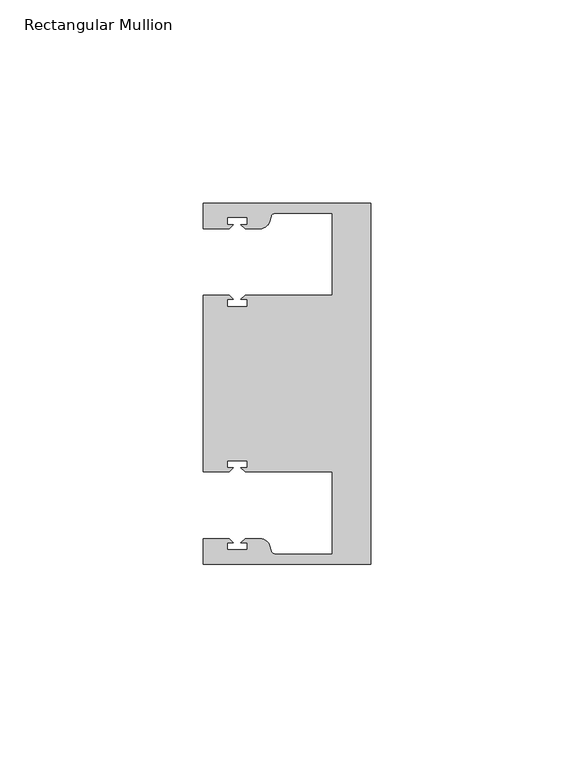
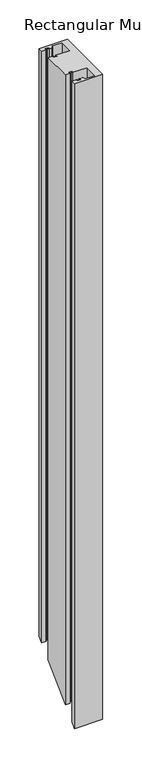
"""IFC4 building model written with IfcOpenShell, lengths in millimetres: member geometry, Rectangular Mullion."""

import ifcopenshell
import ifcopenshell.guid

model = None  # the IFC model being written
_history = None  # IfcOwnerHistory: only IFC2X3 demands one
_inside = {}  # id of a spatial element -> (the spatial element, [elements in it])
_under = {}  # id of a project, library or spatial element -> (it, [spatial elements below it])
_declared = {}  # id of a project -> (the project, [libraries it declares])
_typed = {}  # id of a type object -> (the type object, [elements of that type])
_made_of = {}  # id of a material, layer set ... -> (it, [elements and type objects made of it])


def new_model(schema):
    """Start an empty IFC model of exactly this schema.

    Asked for "IFC4X3", IfcOpenShell would pick the latest addendum, in which some entities
    have other attributes; the version numbers below select the first issue.
    IFC2X3 requires an IfcOwnerHistory on every rooted entity: one is made here for all.
    """
    global model, _history
    if schema == "IFC4X3":
        model = ifcopenshell.file(schema_version=(4, 3, 0, 0))
    else:
        model = ifcopenshell.file(schema=schema)
    _inside.clear()
    _under.clear()
    _declared.clear()
    _typed.clear()
    _made_of.clear()
    _history = None
    if model.schema == "IFC2X3":
        org = make("IfcOrganization", Name="unknown")
        user = make(
            "IfcPersonAndOrganization",
            ThePerson=make("IfcPerson", FamilyName="unknown"),
            TheOrganization=org,
        )
        app = make(
            "IfcApplication",
            ApplicationDeveloper=org,
            Version="unknown",
            ApplicationFullName="unknown",
            ApplicationIdentifier="unknown",
        )
        _history = make(
            "IfcOwnerHistory",
            OwningUser=user,
            OwningApplication=app,
            ChangeAction="ADDED",
            CreationDate=0,
        )
    return model


def make(cls, **values):
    """One entity of the class cls with the attributes given. An attribute that is None is left unset."""
    return model.create_entity(
        cls, **{name: value for name, value in values.items() if value is not None}
    )


def rooted(cls, **values):
    """An entity with a GlobalId (a new one), such as an element, a storey or a relation."""
    return make(cls, GlobalId=ifcopenshell.guid.new(), OwnerHistory=_history, **values)


def si_unit(unit_type, name, prefix=None):
    """IfcSIUnit, for example si_unit("LENGTHUNIT", "METRE", prefix="MILLI")."""
    return make("IfcSIUnit", UnitType=unit_type, Prefix=prefix, Name=name)


def assignment(units):
    """IfcUnitAssignment: the units of a project."""
    return None if units is None else make("IfcUnitAssignment", Units=units)


def point(xyz):
    """IfcCartesianPoint."""
    return None if xyz is None else make("IfcCartesianPoint", Coordinates=xyz)


def direction(xyz):
    """IfcDirection."""
    return None if xyz is None else make("IfcDirection", DirectionRatios=xyz)


def frame(location, z_axis=None, x_axis=None):
    """IfcAxis2Placement3D, a coordinate frame: its origin and axes. An axis left out is left unset."""
    return make(
        "IfcAxis2Placement3D",
        Location=point(location),
        Axis=direction(z_axis),
        RefDirection=direction(x_axis),
    )


def origin():
    """The frame at (0, 0, 0) with its axes left unset."""
    return frame((0.0, 0.0, 0.0))


def place(relative_to, where):
    """IfcLocalPlacement: puts the frame where relative to a parent placement (None: the world)."""
    return make(
        "IfcLocalPlacement", PlacementRelTo=relative_to, RelativePlacement=where
    )


def context(
    kind, dimensions, precision=None, world=None, true_north=None, identifier=None
):
    """IfcGeometricRepresentationContext, for example the 3D "Model" context."""
    return make(
        "IfcGeometricRepresentationContext",
        ContextIdentifier=identifier,
        ContextType=kind,
        CoordinateSpaceDimension=dimensions,
        Precision=precision,
        WorldCoordinateSystem=world,
        TrueNorth=true_north,
    )


def project(units=None, contexts=None):
    """IfcProject with its units and contexts."""
    return rooted(
        "IfcProject",
        Name="project",
        RepresentationContexts=contexts,
        UnitsInContext=assignment(units),
    )


def spatial(cls, under=None, at=None, **own):
    """A site, building, storey or space (cls), placed at a placement, below another one or the project."""
    s = rooted(cls, ObjectPlacement=at, **own)
    if under is not None:
        _under.setdefault(under.id(), (under, []))[1].append(s)
    return s


def polyline(points):
    """IfcPolyline through the points."""
    return make("IfcPolyline", Points=[point(p) for p in points])


def circle_curve(where, radius):
    """IfcCircle in the frame where."""
    return make("IfcCircle", Position=where, Radius=radius)


def ellipse_curve(where, semi_axis1, semi_axis2):
    """IfcEllipse in the frame where."""
    return make(
        "IfcEllipse", Position=where, SemiAxis1=semi_axis1, SemiAxis2=semi_axis2
    )


def shape(context_of_items, identifier, shape_type, items):
    """IfcShapeRepresentation: the items that make up one representation, for example the "Body"."""
    return make(
        "IfcShapeRepresentation",
        ContextOfItems=context_of_items,
        RepresentationIdentifier=identifier,
        RepresentationType=shape_type,
        Items=items,
    )


def source(mapping_origin, context_of_items, identifier, shape_type, items):
    """IfcRepresentationMap: a shape defined once, which mapped items show again and again."""
    return make(
        "IfcRepresentationMap",
        MappingOrigin=mapping_origin,
        MappedRepresentation=shape(context_of_items, identifier, shape_type, items),
    )


def transform(
    local_origin,
    x_axis=None,
    y_axis=None,
    z_axis=None,
    scale=None,
    scale2=None,
    scale3=None,
    uniform=True,
):
    """IfcCartesianTransformationOperator3D, or its non-uniform kind. x_axis, y_axis, z_axis: its Axis1, 2, 3."""
    if uniform:
        return make(
            "IfcCartesianTransformationOperator3D",
            Axis1=direction(x_axis),
            Axis2=direction(y_axis),
            LocalOrigin=point(local_origin),
            Scale=scale,
            Axis3=direction(z_axis),
        )
    return make(
        "IfcCartesianTransformationOperator3DnonUniform",
        Axis1=direction(x_axis),
        Axis2=direction(y_axis),
        LocalOrigin=point(local_origin),
        Scale=scale,
        Axis3=direction(z_axis),
        Scale2=scale2,
        Scale3=scale3,
    )


def mapped(mapping_source, mapping_target):
    """IfcMappedItem: shows the shape of a source again, moved by a transform."""
    return make(
        "IfcMappedItem", MappingSource=mapping_source, MappingTarget=mapping_target
    )


def made_of(thing, what):
    """Note that an element or type object is made of a material, layer set ...; save() writes the relation."""
    if what is not None:
        _made_of.setdefault(what.id(), (what, []))[1].append(thing)
    return thing


def element(
    cls,
    number,
    at=None,
    inside=None,
    cuts=None,
    type_object=None,
    material=None,
    context=None,
    identifier="Body",
    shape_type=None,
    held_by="IfcProductDefinitionShape",
    body=None,
    shapes=None,
    **own,
):
    """One element of the class cls, such as IfcWall. Its Tag is "e" and its number.

    at: its placement. inside: the storey or other place that contains it. cuts: it is an
    opening in that element (IfcRelVoidsElement). A single representation is given by context,
    identifier, shape_type and body (its items); several are given by shapes. held_by: the class
    of the entity that holds the representations. save() writes the other relations.
    """
    e = rooted(cls, Tag="e%d" % number, ObjectPlacement=at, **own)
    if body is not None:
        shapes = [shape(context, identifier, shape_type, body)]
    if shapes is not None:
        e.Representation = make(held_by, Representations=shapes)
    if inside is not None:
        _inside.setdefault(inside.id(), (inside, []))[1].append(e)
    if cuts is not None:
        rooted(
            "IfcRelVoidsElement", RelatingBuildingElement=cuts, RelatedOpeningElement=e
        )
    if type_object is not None:
        _typed.setdefault(type_object.id(), (type_object, []))[1].append(e)
    return made_of(e, material)


def aggregate(whole, parts):
    """IfcRelAggregates: a whole, such as a stair, and the parts it consists of."""
    return rooted("IfcRelAggregates", RelatingObject=whole, RelatedObjects=parts)


def save(model, path):
    """Write the relations noted so far, then the file.

    IfcRelAggregates (storeys below a building ...), IfcRelContainedInSpatialStructure (elements
    in a storey), IfcRelDefinesByType, IfcRelAssociatesMaterial and IfcRelDeclares: one each for
    every whole, place, type object, material and project.
    """
    for whole, parts in _under.values():
        aggregate(whole, parts)
    for where, things in _inside.values():
        rooted(
            "IfcRelContainedInSpatialStructure",
            RelatedElements=things,
            RelatingStructure=where,
        )
    for kind, things in _typed.values():
        rooted("IfcRelDefinesByType", RelatedObjects=things, RelatingType=kind)
    for what, things in _made_of.values():
        rooted("IfcRelAssociatesMaterial", RelatedObjects=things, RelatingMaterial=what)
    for by, libraries in _declared.values():
        rooted("IfcRelDeclares", RelatingContext=by, RelatedDefinitions=libraries)
    model.write(path)


def plane_surface(at):
    """IfcPlane: the flat surface through the origin of the frame at, square to its z axis."""
    return make("IfcPlane", Position=at)


def cylinder_surface(at, radius):
    """IfcCylindricalSurface: all points at the distance radius from the z axis of the frame at."""
    return make("IfcCylindricalSurface", Position=at, Radius=radius)


def revolved_surface(curve, axis_point, axis_direction):
    """IfcSurfaceOfRevolution: the curve turned about the line through axis_point along axis_direction."""
    return make(
        "IfcSurfaceOfRevolution",
        SweptCurve=make("IfcArbitraryOpenProfileDef", ProfileType="CURVE", Curve=curve),
        AxisPosition=make("IfcAxis1Placement", Location=point(axis_point), Axis=direction(axis_direction)),
    )


def advanced_brep(points, edges, surfaces, faces):
    """IfcAdvancedBrep: a solid bounded by faces that lie on surfaces and meet in shared edges.

    An edge is (start, end): straight between two places in points (the first is 0);
    or (start, end, curve); or (start, end, curve, False) where it runs against its curve.
    A face is (place in surfaces, loops), or (place, loops, False) where it looks against
    its surface's normal. A loop lists edges by number (the first is 1), with a minus sign
    where the edge is run from its end to its start. The first loop is the outer one.
    """
    corners = [point(p) for p in points]
    vertices = [make("IfcVertexPoint", VertexGeometry=c) for c in corners]
    made = []
    for start, end, *more in edges:
        made.append(
            make(
                "IfcEdgeCurve",
                EdgeStart=vertices[start],
                EdgeEnd=vertices[end],
                EdgeGeometry=more[0] if more else make("IfcPolyline", Points=[corners[start], corners[end]]),
                SameSense=more[1] if len(more) > 1 else True,
            )
        )
    hull = []
    for where, loops, *sense in faces:
        bounds = []
        for j, loop in enumerate(loops):
            ring = [make("IfcOrientedEdge", EdgeElement=made[abs(k) - 1], Orientation=k > 0) for k in loop]
            bounds.append(
                make(
                    "IfcFaceOuterBound" if j == 0 else "IfcFaceBound",
                    Bound=make("IfcEdgeLoop", EdgeList=ring),
                    Orientation=True,
                )
            )
        hull.append(make("IfcAdvancedFace", Bounds=bounds, FaceSurface=surfaces[where], SameSense=sense[0] if sense else True))
    return make("IfcAdvancedBrep", Outer=make("IfcClosedShell", CfsFaces=hull))


def rectangular_mullion_94f58a4b(model_context):
    return source(origin(), model_context, "Body", "AdvancedBrep", [
        advanced_brep(
        [(0.0, -44.45, 0.0), (0.0, 44.45, 0.0), (-41.275, 44.45, 0.0), (-41.275, 38.1499897, 0.0), (-34.8007531, 38.1499897, 0.0), (-33.8007405, 39.1500023, 0.0), (-35.3749778, 39.1500023, 0.0), (-35.3749778, 40.9498819, 0.0), (-30.3749831, 40.9498819, 0.0), (-30.3749831, 39.1500023, 0.0), (-31.949256, 39.1500023, 0.0), (-30.9492503, 38.1499966, 0.0), (-27.2637853, 38.1499966, 0.0), (-24.8489707, 40.002949, 0.0), (-24.5258588, 41.2088192, 0.0), (-23.5599329, 41.9500001, 0.0), (-9.525, 41.95, 0.0), (-9.525, 21.7499959, 0.0), (-30.9492434, 21.7499959, 0.0), (-31.949256, 20.7499834, 0.0), (-30.3750186, 20.7499834, 0.0), (-30.3750186, 18.949936, 0.0), (-35.3750134, 18.949936, 0.0), (-35.3750134, 20.7499834, 0.0), (-33.8007405, 20.7499834, 0.0), (-34.8007562, 21.749999, 0.0), (-41.275, 21.749999, 0.0), (-41.275, -21.749999, 0.0), (-34.8007562, -21.749999, 0.0), (-33.8007405, -20.7499834, 0.0), (-35.3750134, -20.7499834, 0.0), (-35.3750134, -18.949936, 0.0), (-30.3750186, -18.949936, 0.0), (-30.3750186, -20.7499834, 0.0), (-31.949256, -20.7499834, 0.0), (-30.9492434, -21.7499959, 0.0), (-9.525, -21.7499959, 0.0), (-9.525, -41.95, 0.0), (-23.5599329, -41.95, 0.0), (-24.5258588, -41.2088192, 0.0), (-24.8489707, -40.002949, 0.0), (-27.2637853, -38.1499966, 0.0), (-30.9492503, -38.1499966, 0.0), (-31.949256, -39.1500023, 0.0), (-30.3749831, -39.1500023, 0.0), (-30.3749831, -40.9498819, 0.0), (-35.3749778, -40.9498819, 0.0), (-35.3749778, -39.1500023, 0.0), (-33.8007405, -39.1500023, 0.0), (-34.8007531, -38.1499897, 0.0), (-41.2749977, -38.1499897, 0.0), (-41.2749977, -44.45, 0.0), (0.0, -44.45, -996.95), (0.0, 44.45, -908.05), (-41.275, 44.45, -908.05), (-41.275, 38.1499897, -914.3500103), (-34.8007531, 38.1499897, -914.3500103), (-33.8007405, 39.1500023, -913.3499977), (-35.3749778, 39.1500023, -913.3499977), (-35.3749778, 40.9498819, -911.5501181), (-30.3749831, 40.9498819, -911.5501181), (-30.3749831, 39.1500023, -913.3499977), (-31.949256, 39.1500023, -913.3499977), (-30.9492503, 38.1499966, -914.3500034), (-27.2637853, 38.1499966, -914.3500034), (-24.8489707, 40.002949, -912.497051), (-24.5258588, 41.2088192, -911.2911808), (-23.5599329, 41.9500001, -910.5499999), (-9.525, 41.95, -910.55), (-9.525, 21.7499959, -930.7500041), (-30.9492434, 21.7499959, -930.7500041), (-31.949256, 20.7499834, -931.7500166), (-30.3750186, 20.7499834, -931.7500166), (-30.3750186, 18.949936, -933.550064), (-35.3750134, 18.949936, -933.550064), (-35.3750134, 20.7499834, -931.7500166), (-33.8007405, 20.7499834, -931.7500166), (-34.8007562, 21.749999, -930.750001), (-41.275, 21.749999, -930.750001), (-41.275, -21.749999, -974.249999), (-34.8007562, -21.749999, -974.249999), (-33.8007405, -20.7499834, -973.2499834), (-35.3750134, -20.7499834, -973.2499834), (-35.3750134, -18.949936, -971.449936), (-30.3750186, -18.949936, -971.449936), (-30.3750186, -20.7499834, -973.2499834), (-31.949256, -20.7499834, -973.2499834), (-30.9492434, -21.7499959, -974.2499959), (-9.525, -21.7499959, -974.2499959), (-9.525, -41.95, -994.45), (-23.5599329, -41.95, -994.4500001), (-24.5258588, -41.2088192, -993.7088192), (-24.8489707, -40.002949, -992.502949), (-27.2637853, -38.1499966, -990.6499966), (-30.9492503, -38.1499966, -990.6499966), (-31.949256, -39.1500023, -991.6500023), (-30.3749831, -39.1500023, -991.6500023), (-30.3749831, -40.9498819, -993.4498819), (-35.3749778, -40.9498819, -993.4498819), (-35.3749778, -39.1500023, -991.6500023), (-33.8007405, -39.1500023, -991.6500023), (-34.8007531, -38.1499897, -990.6499897), (-41.2749977, -38.1499897, -990.6499897), (-41.2749977, -44.45, -996.95)],
        [
            (0, 1),
            (1, 2),
            (2, 3),
            (3, 4),
            (4, 5),
            (5, 6),
            (6, 7),
            (7, 8),
            (8, 9),
            (9, 10),
            (10, 11),
            (11, 12),
            (12, 13, circle_curve(frame((-27.2637853, 40.6499966, 0.0), z_axis=(0.0, 0.0, 1.0), x_axis=(0.0, -1.0, 0.0)), 2.5)),
            (13, 14),
            (14, 15, circle_curve(frame((-23.5599329, 40.9500001, 0.0), z_axis=(0.0, 0.0, -1.0), x_axis=(0.0, -1.0, 0.0)), 1.0)),
            (15, 16),
            (16, 17),
            (17, 18),
            (18, 19),
            (19, 20),
            (20, 21),
            (21, 22),
            (22, 23),
            (23, 24),
            (24, 25),
            (25, 26),
            (26, 27),
            (27, 28),
            (28, 29),
            (29, 30),
            (30, 31),
            (31, 32),
            (32, 33),
            (33, 34),
            (34, 35),
            (35, 36),
            (36, 37),
            (37, 38),
            (38, 39, circle_curve(frame((-23.5599329, -40.9500001, 0.0), z_axis=(0.0, 0.0, -1.0), x_axis=(0.0, 1.0, 0.0)), 1.0)),
            (39, 40),
            (40, 41, circle_curve(frame((-27.2637853, -40.6499966, 0.0), z_axis=(0.0, 0.0, 1.0), x_axis=(0.0, 1.0, 0.0)), 2.5)),
            (41, 42),
            (42, 43),
            (43, 44),
            (44, 45),
            (45, 46),
            (46, 47),
            (47, 48),
            (48, 49),
            (49, 50),
            (50, 51),
            (51, 0),
            (0, 52),
            (52, 53),
            (53, 1),
            (53, 54),
            (54, 2),
            (54, 55),
            (55, 3),
            (55, 56),
            (56, 4),
            (56, 57),
            (57, 5),
            (57, 58),
            (58, 6),
            (58, 59),
            (59, 7),
            (59, 60),
            (60, 8),
            (60, 61),
            (61, 9),
            (61, 62),
            (62, 10),
            (62, 63),
            (63, 11),
            (63, 64),
            (64, 12),
            (64, 65, ellipse_curve(frame((-27.2637853, 40.6499966, -911.8500034), z_axis=(0.0, -0.7071067811865476, 0.7071067811865476), x_axis=(0.0, 0.7071067811865476, 0.7071067811865474)), 3.5355339, 2.5)),
            (65, 13),
            (65, 66),
            (66, 14),
            (66, 67, ellipse_curve(frame((-23.5599329, 40.9500001, -911.5499999), z_axis=(0.0, 0.7071067811865476, -0.7071067811865476), x_axis=(0.0, -0.7071067811865476, -0.7071067811865474)), 1.4142136, 1.0)),
            (67, 15),
            (67, 68),
            (68, 16),
            (68, 69),
            (69, 17),
            (69, 70),
            (70, 18),
            (70, 71),
            (71, 19),
            (71, 72),
            (72, 20),
            (72, 73),
            (73, 21),
            (73, 74),
            (74, 22),
            (74, 75),
            (75, 23),
            (75, 76),
            (76, 24),
            (76, 77),
            (77, 25),
            (77, 78),
            (78, 26),
            (78, 79),
            (79, 27),
            (79, 80),
            (80, 28),
            (80, 81),
            (81, 29),
            (81, 82),
            (82, 30),
            (82, 83),
            (83, 31),
            (83, 84),
            (84, 32),
            (84, 85),
            (85, 33),
            (85, 86),
            (86, 34),
            (86, 87),
            (87, 35),
            (87, 88),
            (88, 36),
            (88, 89),
            (89, 37),
            (89, 90),
            (90, 38),
            (90, 91, ellipse_curve(frame((-23.5599329, -40.9500001, -993.4500001), z_axis=(0.0, 0.7071067811865476, -0.7071067811865476), x_axis=(0.0, -0.7071067811865476, -0.7071067811865474)), 1.4142136, 1.0)),
            (91, 39),
            (91, 92),
            (92, 40),
            (92, 93, ellipse_curve(frame((-27.2637853, -40.6499966, -993.1499966), z_axis=(0.0, -0.7071067811865476, 0.7071067811865476), x_axis=(0.0, 0.7071067811865476, 0.7071067811865474)), 3.5355339, 2.5)),
            (93, 41),
            (93, 94),
            (94, 42),
            (94, 95),
            (95, 43),
            (95, 96),
            (96, 44),
            (96, 97),
            (97, 45),
            (97, 98),
            (98, 46),
            (98, 99),
            (99, 47),
            (99, 100),
            (100, 48),
            (100, 101),
            (101, 49),
            (101, 102),
            (102, 50),
            (102, 103),
            (103, 51),
            (103, 52),
        ],
        [
            plane_surface(frame((0.0, -60.6582898, 0.0), z_axis=(0.0, 0.0, 1.0), x_axis=(-1.0, 0.0, 0.0))),
            plane_surface(frame((0.0, -44.45, 0.0), z_axis=(1.0, 0.0, 0.0), x_axis=(0.0, 0.0, -1.0))),
            plane_surface(frame((0.0, 44.45, 0.0), z_axis=(0.0, 1.0, 0.0), x_axis=(0.0, 0.0, -1.0))),
            plane_surface(frame((-41.275, 44.45, 0.0), z_axis=(-1.0, 0.0, 0.0), x_axis=(0.0, 0.0, -1.0))),
            plane_surface(frame((-41.275, 38.1499897, 0.0), z_axis=(0.0, -1.0, 0.0), x_axis=(0.0, 0.0, -1.0))),
            plane_surface(frame((-34.8007531, 38.1499897, 0.0), z_axis=(0.7071067811865538, -0.7071067811865414, 0.0), x_axis=(0.0, 0.0, -1.0))),
            plane_surface(frame((-33.8007405, 39.1500023, 0.0), z_axis=(0.0, 1.0, 0.0), x_axis=(0.0, 0.0, -1.0))),
            plane_surface(frame((-35.3749778, 39.1500023, 0.0), z_axis=(1.0, 0.0, 0.0), x_axis=(0.0, 0.0, -1.0))),
            plane_surface(frame((-35.3749778, 40.9498819, 0.0), z_axis=(0.0, -1.0, 0.0), x_axis=(0.0, 0.0, -1.0))),
            plane_surface(frame((-30.3749831, 40.9498819, 0.0), z_axis=(-1.0, 0.0, 0.0), x_axis=(0.0, 0.0, -1.0))),
            plane_surface(frame((-30.3749831, 39.1500023, 0.0), z_axis=(0.0, 1.0, 0.0), x_axis=(0.0, 0.0, -1.0))),
            plane_surface(frame((-31.949256, 39.1500023, 0.0), z_axis=(-0.7071067811865424, -0.7071067811865527, 0.0), x_axis=(0.0, 0.0, -1.0))),
            plane_surface(frame((-30.9492503, 38.1499966, 0.0), z_axis=(0.0, -1.0, 0.0), x_axis=(0.0, 0.0, -1.0))),
            cylinder_surface(frame((-27.2637853, 40.6499966, 0.0), z_axis=(0.0, 0.0, 1.0), x_axis=(0.0, -1.0, 0.0)), 2.5),
            plane_surface(frame((-24.8489707, 40.002949, 0.0), z_axis=(0.9659258262891647, -0.25881904510216125, 0.0), x_axis=(0.0, 0.0, -1.0))),
            revolved_surface(polyline([(-23.5599329, 39.9500001, -912.5499999266062), (-23.5599329, 39.9500001, 0.0)]), (-23.5599329, 40.9500001, 0.0), (0.0, 0.0, -1.0)),
            plane_surface(frame((-23.5599329, 41.95, 0.0), z_axis=(0.0, -1.0, 0.0), x_axis=(0.0, 0.0, -1.0))),
            plane_surface(frame((-9.525, 41.95, 0.0), z_axis=(-1.0, 0.0, 0.0), x_axis=(0.0, 0.0, -1.0))),
            plane_surface(frame((-9.525, 21.7499959, 0.0), z_axis=(0.0, 1.0, 0.0), x_axis=(0.0, 0.0, -1.0))),
            plane_surface(frame((-30.9492434, 21.7499959, 0.0), z_axis=(-0.7071067811865538, 0.7071067811865414, 0.0), x_axis=(0.0, 0.0, -1.0))),
            plane_surface(frame((-31.949256, 20.7499834, 0.0), z_axis=(0.0, -1.0, 0.0), x_axis=(0.0, 0.0, -1.0))),
            plane_surface(frame((-30.3750186, 20.7499834, 0.0), z_axis=(-1.0, 0.0, 0.0), x_axis=(0.0, 0.0, -1.0))),
            plane_surface(frame((-30.3750186, 18.949936, 0.0), z_axis=(0.0, 1.0, 0.0), x_axis=(0.0, 0.0, -1.0))),
            plane_surface(frame((-35.3750134, 18.949936, 0.0), z_axis=(1.0, 0.0, 0.0), x_axis=(0.0, 0.0, -1.0))),
            plane_surface(frame((-35.3750134, 20.7499834, 0.0), z_axis=(0.0, -1.0, 0.0), x_axis=(0.0, 0.0, -1.0))),
            plane_surface(frame((-33.8007405, 20.7499834, 0.0), z_axis=(0.7071067811865427, 0.7071067811865525, 0.0), x_axis=(0.0, 0.0, -1.0))),
            plane_surface(frame((-34.8007562, 21.749999, 0.0), z_axis=(0.0, 1.0, 0.0), x_axis=(0.0, 0.0, -1.0))),
            plane_surface(frame((-41.275, 21.749999, 0.0), z_axis=(-1.0, 0.0, 0.0), x_axis=(0.0, 0.0, -1.0))),
            plane_surface(frame((-41.275, -21.749999, 0.0), z_axis=(0.0, -1.0, 0.0), x_axis=(0.0, 0.0, -1.0))),
            plane_surface(frame((-34.8007562, -21.749999, 0.0), z_axis=(0.7071067811865472, -0.7071067811865479, 0.0), x_axis=(0.0, 0.0, -1.0))),
            plane_surface(frame((-33.8007405, -20.7499834, 0.0), z_axis=(0.0, 1.0, 0.0), x_axis=(0.0, 0.0, -1.0))),
            plane_surface(frame((-35.3750134, -20.7499834, 0.0), z_axis=(1.0, 0.0, 0.0), x_axis=(0.0, 0.0, -1.0))),
            plane_surface(frame((-35.3750134, -18.949936, 0.0), z_axis=(0.0, -1.0, 0.0), x_axis=(0.0, 0.0, -1.0))),
            plane_surface(frame((-30.3750186, -18.949936, 0.0), z_axis=(-1.0, 0.0, 0.0), x_axis=(0.0, 0.0, -1.0))),
            plane_surface(frame((-30.3750186, -20.7499834, 0.0), z_axis=(0.0, 1.0, 0.0), x_axis=(0.0, 0.0, -1.0))),
            plane_surface(frame((-31.949256, -20.7499834, 0.0), z_axis=(-0.7071067811865492, -0.7071067811865459, 0.0), x_axis=(0.0, 0.0, -1.0))),
            plane_surface(frame((-30.9492434, -21.7499959, 0.0), z_axis=(0.0, -1.0, 0.0), x_axis=(0.0, 0.0, -1.0))),
            plane_surface(frame((-9.525, -21.7499959, 0.0), z_axis=(-1.0, 0.0, 0.0), x_axis=(0.0, 0.0, -1.0))),
            plane_surface(frame((-9.525, -41.95, 0.0), z_axis=(0.0, 1.0, 0.0), x_axis=(0.0, 0.0, -1.0))),
            revolved_surface(polyline([(-23.5599329, -39.9500001, -994.4500001266063), (-23.5599329, -39.9500001, 0.0)]), (-23.5599329, -40.9500001, 0.0), (0.0, 0.0, -1.0)),
            plane_surface(frame((-24.5258588, -41.2088192, 0.0), z_axis=(0.965925826289163, 0.2588190451021675, 0.0), x_axis=(0.0, 0.0, -1.0))),
            cylinder_surface(frame((-27.2637853, -40.6499966, 0.0), z_axis=(0.0, 0.0, 1.0), x_axis=(0.0, 1.0, 0.0)), 2.5),
            plane_surface(frame((-27.2637853, -38.1499966, 0.0), z_axis=(0.0, 1.0, 0.0), x_axis=(0.0, 0.0, -1.0))),
            plane_surface(frame((-30.9492503, -38.1499966, 0.0), z_axis=(-0.7071067811865469, 0.7071067811865481, 0.0), x_axis=(0.0, 0.0, -1.0))),
            plane_surface(frame((-31.949256, -39.1500023, 0.0), z_axis=(0.0, -1.0, 0.0), x_axis=(0.0, 0.0, -1.0))),
            plane_surface(frame((-30.3749831, -39.1500023, 0.0), z_axis=(-1.0, 0.0, 0.0), x_axis=(0.0, 0.0, -1.0))),
            plane_surface(frame((-30.3749831, -40.9498819, 0.0), z_axis=(0.0, 1.0, 0.0), x_axis=(0.0, 0.0, -1.0))),
            plane_surface(frame((-35.3749778, -40.9498819, 0.0), z_axis=(1.0, 0.0, 0.0), x_axis=(0.0, 0.0, -1.0))),
            plane_surface(frame((-35.3749778, -39.1500023, 0.0), z_axis=(0.0, -1.0, 0.0), x_axis=(0.0, 0.0, -1.0))),
            plane_surface(frame((-33.8007405, -39.1500023, 0.0), z_axis=(0.7071067811865492, 0.7071067811865459, 0.0), x_axis=(0.0, 0.0, -1.0))),
            plane_surface(frame((-34.8007531, -38.1499897, 0.0), z_axis=(0.0, 1.0, 0.0), x_axis=(0.0, 0.0, -1.0))),
            plane_surface(frame((-41.2749977, -38.1499897, 0.0), z_axis=(-1.0, 0.0, 0.0), x_axis=(0.0, 0.0, -1.0))),
            plane_surface(frame((-41.2749977, -44.45, 0.0), z_axis=(0.0, -1.0, 0.0), x_axis=(0.0, 0.0, -1.0))),
            plane_surface(frame((-304.8, 0.0, -952.5), z_axis=(0.0, 0.7071067811865476, -0.7071067811865476), x_axis=(0.0, 0.7071067811865476, 0.7071067811865476))),
        ],
        [
            (0, [[1, 2, 3, 4, 5, 6, 7, 8, 9, 10, 11, 12, 13, 14, 15, 16, 17, 18, 19, 20, 21, 22, 23, 24, 25, 26, 27, 28, 29, 30, 31, 32, 33, 34, 35, 36, 37, 38, 39, 40, 41, 42, 43, 44, 45, 46, 47, 48, 49, 50, 51, 52]]),
            (1, [[-1, 53, 54, 55]]),
            (2, [[-2, -55, 56, 57]]),
            (3, [[-3, -57, 58, 59]]),
            (4, [[-4, -59, 60, 61]]),
            (5, [[-5, -61, 62, 63]]),
            (6, [[-6, -63, 64, 65]]),
            (7, [[-7, -65, 66, 67]]),
            (8, [[-8, -67, 68, 69]]),
            (9, [[-9, -69, 70, 71]]),
            (10, [[-10, -71, 72, 73]]),
            (11, [[-11, -73, 74, 75]]),
            (12, [[-12, -75, 76, 77]]),
            (13, [[-13, -77, 78, 79]]),
            (14, [[-14, -79, 80, 81]]),
            (15, [[-15, -81, 82, 83]]),
            (16, [[-16, -83, 84, 85]]),
            (17, [[-17, -85, 86, 87]]),
            (18, [[-18, -87, 88, 89]]),
            (19, [[-19, -89, 90, 91]]),
            (20, [[-20, -91, 92, 93]]),
            (21, [[-21, -93, 94, 95]]),
            (22, [[-22, -95, 96, 97]]),
            (23, [[-23, -97, 98, 99]]),
            (24, [[-24, -99, 100, 101]]),
            (25, [[-25, -101, 102, 103]]),
            (26, [[-26, -103, 104, 105]]),
            (27, [[-27, -105, 106, 107]]),
            (28, [[-28, -107, 108, 109]]),
            (29, [[-29, -109, 110, 111]]),
            (30, [[-30, -111, 112, 113]]),
            (31, [[-31, -113, 114, 115]]),
            (32, [[-32, -115, 116, 117]]),
            (33, [[-33, -117, 118, 119]]),
            (34, [[-34, -119, 120, 121]]),
            (35, [[-35, -121, 122, 123]]),
            (36, [[-36, -123, 124, 125]]),
            (37, [[-37, -125, 126, 127]]),
            (38, [[-38, -127, 128, 129]]),
            (39, [[-39, -129, 130, 131]]),
            (40, [[-40, -131, 132, 133]]),
            (41, [[-41, -133, 134, 135]]),
            (42, [[-42, -135, 136, 137]]),
            (43, [[-43, -137, 138, 139]]),
            (44, [[-44, -139, 140, 141]]),
            (45, [[-45, -141, 142, 143]]),
            (46, [[-46, -143, 144, 145]]),
            (47, [[-47, -145, 146, 147]]),
            (48, [[-48, -147, 148, 149]]),
            (49, [[-49, -149, 150, 151]]),
            (50, [[-50, -151, 152, 153]]),
            (51, [[-51, -153, 154, 155]]),
            (52, [[-52, -155, 156, -53]]),
            (53, [[-156, -154, -152, -150, -148, -146, -144, -142, -140, -138, -136, -134, -132, -130, -128, -126, -124, -122, -120, -118, -116, -114, -112, -110, -108, -106, -104, -102, -100, -98, -96, -94, -92, -90, -88, -86, -84, -82, -80, -78, -76, -74, -72, -70, -68, -66, -64, -62, -60, -58, -56, -54]]),
        ],
    ),
    ])


if __name__ == "__main__":
    model = new_model("IFC4")
    model_context = context("Model", 3, world=origin())
    ifc_project = project(units=[si_unit("LENGTHUNIT", "METRE", prefix="MILLI")], contexts=[model_context])
    site = spatial("IfcSite", under=ifc_project)
    building = spatial("IfcBuilding", under=site)
    placement = place(None, origin())
    rectangular_mullion_shape = rectangular_mullion_94f58a4b(model_context)
    element("IfcMember", 1, ObjectType="Rectangular Mullion", at=placement, inside=building, context=model_context, shape_type="MappedRepresentation", body=[
        mapped(rectangular_mullion_shape, transform((0.0, 0.0, 0.0), x_axis=(1.0, 0.0, 0.0), y_axis=(0.0, 1.0, 0.0), z_axis=(0.0, 0.0, 1.0))),
    ])
    save(model, "model.ifc")
